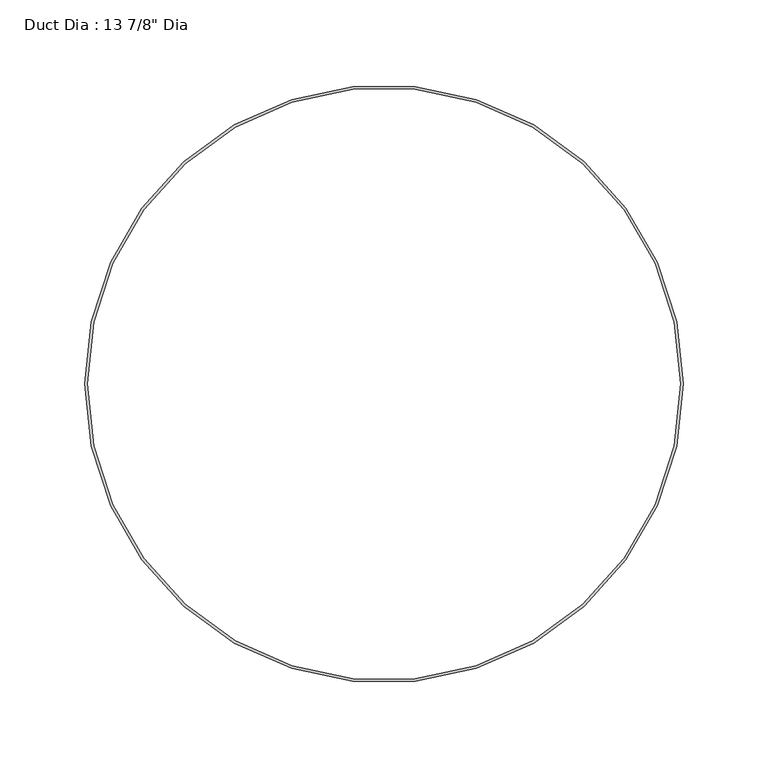
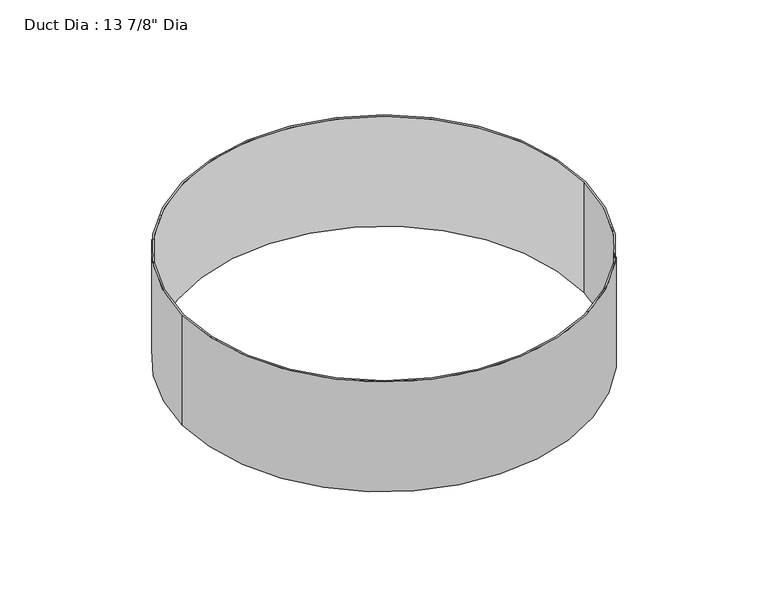
"""IFC4 building model written with IfcOpenShell, lengths in millimetres: proxy geometry."""

import ifcopenshell
import ifcopenshell.guid

model = None  # the IFC model being written
_history = None  # IfcOwnerHistory: only IFC2X3 demands one
_inside = {}  # id of a spatial element -> (the spatial element, [elements in it])
_under = {}  # id of a project, library or spatial element -> (it, [spatial elements below it])
_declared = {}  # id of a project -> (the project, [libraries it declares])
_typed = {}  # id of a type object -> (the type object, [elements of that type])
_made_of = {}  # id of a material, layer set ... -> (it, [elements and type objects made of it])


def new_model(schema):
    """Start an empty IFC model of exactly this schema.

    Asked for "IFC4X3", IfcOpenShell would pick the latest addendum, in which some entities
    have other attributes; the version numbers below select the first issue.
    IFC2X3 requires an IfcOwnerHistory on every rooted entity: one is made here for all.
    """
    global model, _history
    if schema == "IFC4X3":
        model = ifcopenshell.file(schema_version=(4, 3, 0, 0))
    else:
        model = ifcopenshell.file(schema=schema)
    _inside.clear()
    _under.clear()
    _declared.clear()
    _typed.clear()
    _made_of.clear()
    _history = None
    if model.schema == "IFC2X3":
        org = make("IfcOrganization", Name="unknown")
        user = make(
            "IfcPersonAndOrganization",
            ThePerson=make("IfcPerson", FamilyName="unknown"),
            TheOrganization=org,
        )
        app = make(
            "IfcApplication",
            ApplicationDeveloper=org,
            Version="unknown",
            ApplicationFullName="unknown",
            ApplicationIdentifier="unknown",
        )
        _history = make(
            "IfcOwnerHistory",
            OwningUser=user,
            OwningApplication=app,
            ChangeAction="ADDED",
            CreationDate=0,
        )
    return model


def make(cls, **values):
    """One entity of the class cls with the attributes given. An attribute that is None is left unset."""
    return model.create_entity(
        cls, **{name: value for name, value in values.items() if value is not None}
    )


def rooted(cls, **values):
    """An entity with a GlobalId (a new one), such as an element, a storey or a relation."""
    return make(cls, GlobalId=ifcopenshell.guid.new(), OwnerHistory=_history, **values)


def si_unit(unit_type, name, prefix=None):
    """IfcSIUnit, for example si_unit("LENGTHUNIT", "METRE", prefix="MILLI")."""
    return make("IfcSIUnit", UnitType=unit_type, Prefix=prefix, Name=name)


def assignment(units):
    """IfcUnitAssignment: the units of a project."""
    return None if units is None else make("IfcUnitAssignment", Units=units)


def point(xyz):
    """IfcCartesianPoint."""
    return None if xyz is None else make("IfcCartesianPoint", Coordinates=xyz)


def direction(xyz):
    """IfcDirection."""
    return None if xyz is None else make("IfcDirection", DirectionRatios=xyz)


def frame(location, z_axis=None, x_axis=None):
    """IfcAxis2Placement3D, a coordinate frame: its origin and axes. An axis left out is left unset."""
    return make(
        "IfcAxis2Placement3D",
        Location=point(location),
        Axis=direction(z_axis),
        RefDirection=direction(x_axis),
    )


def frame_2d(location, x_axis=None):
    """IfcAxis2Placement2D, a coordinate frame in the plane: its origin and x axis."""
    return make(
        "IfcAxis2Placement2D", Location=point(location), RefDirection=direction(x_axis)
    )


def origin():
    """The frame at (0, 0, 0) with its axes left unset."""
    return frame((0.0, 0.0, 0.0))


def origin_with_axes():
    """The frame at (0, 0, 0) with the z axis (0, 0, 1) and the x axis (1, 0, 0) written out."""
    return frame((0.0, 0.0, 0.0), z_axis=(0.0, 0.0, 1.0), x_axis=(1.0, 0.0, 0.0))


def origin_2d():
    """The frame at (0, 0) in the plane with its x axis left unset."""
    return frame_2d((0.0, 0.0))


def place(relative_to, where):
    """IfcLocalPlacement: puts the frame where relative to a parent placement (None: the world)."""
    return make(
        "IfcLocalPlacement", PlacementRelTo=relative_to, RelativePlacement=where
    )


def context(
    kind, dimensions, precision=None, world=None, true_north=None, identifier=None
):
    """IfcGeometricRepresentationContext, for example the 3D "Model" context."""
    return make(
        "IfcGeometricRepresentationContext",
        ContextIdentifier=identifier,
        ContextType=kind,
        CoordinateSpaceDimension=dimensions,
        Precision=precision,
        WorldCoordinateSystem=world,
        TrueNorth=true_north,
    )


def project(units=None, contexts=None):
    """IfcProject with its units and contexts."""
    return rooted(
        "IfcProject",
        Name="project",
        RepresentationContexts=contexts,
        UnitsInContext=assignment(units),
    )


def spatial(cls, under=None, at=None, **own):
    """A site, building, storey or space (cls), placed at a placement, below another one or the project."""
    s = rooted(cls, ObjectPlacement=at, **own)
    if under is not None:
        _under.setdefault(under.id(), (under, []))[1].append(s)
    return s


def circle_curve(where, radius):
    """IfcCircle in the frame where."""
    return make("IfcCircle", Position=where, Radius=radius)


def trimmed(basis, trim1, trim2, sense, master):
    """IfcTrimmedCurve: the piece of a basis curve between two trims."""
    return make(
        "IfcTrimmedCurve",
        BasisCurve=basis,
        Trim1=trim1,
        Trim2=trim2,
        SenseAgreement=sense,
        MasterRepresentation=master,
    )


def segment(curve, same_sense, transition):
    """IfcCompositeCurveSegment."""
    return make(
        "IfcCompositeCurveSegment",
        Transition=transition,
        SameSense=same_sense,
        ParentCurve=curve,
    )


def composite_curve(segments, self_intersect=None):
    """IfcCompositeCurve: segments joined end to end."""
    return make("IfcCompositeCurve", Segments=segments, SelfIntersect=self_intersect)


def outline(outer, holes=None, kind="AREA"):
    """IfcArbitraryClosedProfileDef: a profile drawn as a closed curve; with holes, ...WithVoids."""
    if holes is None:
        return make("IfcArbitraryClosedProfileDef", ProfileType=kind, OuterCurve=outer)
    return make(
        "IfcArbitraryProfileDefWithVoids",
        ProfileType=kind,
        OuterCurve=outer,
        InnerCurves=holes,
    )


def extrude(swept, where, along, depth):
    """IfcExtrudedAreaSolid: the profile swept, set in the frame where, extruded along a direction by depth."""
    return make(
        "IfcExtrudedAreaSolid",
        SweptArea=swept,
        Position=where,
        ExtrudedDirection=direction(along),
        Depth=depth,
    )


def shape(context_of_items, identifier, shape_type, items):
    """IfcShapeRepresentation: the items that make up one representation, for example the "Body"."""
    return make(
        "IfcShapeRepresentation",
        ContextOfItems=context_of_items,
        RepresentationIdentifier=identifier,
        RepresentationType=shape_type,
        Items=items,
    )


def source(mapping_origin, context_of_items, identifier, shape_type, items):
    """IfcRepresentationMap: a shape defined once, which mapped items show again and again."""
    return make(
        "IfcRepresentationMap",
        MappingOrigin=mapping_origin,
        MappedRepresentation=shape(context_of_items, identifier, shape_type, items),
    )


def transform(
    local_origin,
    x_axis=None,
    y_axis=None,
    z_axis=None,
    scale=None,
    scale2=None,
    scale3=None,
    uniform=True,
):
    """IfcCartesianTransformationOperator3D, or its non-uniform kind. x_axis, y_axis, z_axis: its Axis1, 2, 3."""
    if uniform:
        return make(
            "IfcCartesianTransformationOperator3D",
            Axis1=direction(x_axis),
            Axis2=direction(y_axis),
            LocalOrigin=point(local_origin),
            Scale=scale,
            Axis3=direction(z_axis),
        )
    return make(
        "IfcCartesianTransformationOperator3DnonUniform",
        Axis1=direction(x_axis),
        Axis2=direction(y_axis),
        LocalOrigin=point(local_origin),
        Scale=scale,
        Axis3=direction(z_axis),
        Scale2=scale2,
        Scale3=scale3,
    )


def mapped(mapping_source, mapping_target):
    """IfcMappedItem: shows the shape of a source again, moved by a transform."""
    return make(
        "IfcMappedItem", MappingSource=mapping_source, MappingTarget=mapping_target
    )


def made_of(thing, what):
    """Note that an element or type object is made of a material, layer set ...; save() writes the relation."""
    if what is not None:
        _made_of.setdefault(what.id(), (what, []))[1].append(thing)
    return thing


def element(
    cls,
    number,
    at=None,
    inside=None,
    cuts=None,
    type_object=None,
    material=None,
    context=None,
    identifier="Body",
    shape_type=None,
    held_by="IfcProductDefinitionShape",
    body=None,
    shapes=None,
    **own,
):
    """One element of the class cls, such as IfcWall. Its Tag is "e" and its number.

    at: its placement. inside: the storey or other place that contains it. cuts: it is an
    opening in that element (IfcRelVoidsElement). A single representation is given by context,
    identifier, shape_type and body (its items); several are given by shapes. held_by: the class
    of the entity that holds the representations. save() writes the other relations.
    """
    e = rooted(cls, Tag="e%d" % number, ObjectPlacement=at, **own)
    if body is not None:
        shapes = [shape(context, identifier, shape_type, body)]
    if shapes is not None:
        e.Representation = make(held_by, Representations=shapes)
    if inside is not None:
        _inside.setdefault(inside.id(), (inside, []))[1].append(e)
    if cuts is not None:
        rooted(
            "IfcRelVoidsElement", RelatingBuildingElement=cuts, RelatedOpeningElement=e
        )
    if type_object is not None:
        _typed.setdefault(type_object.id(), (type_object, []))[1].append(e)
    return made_of(e, material)


def aggregate(whole, parts):
    """IfcRelAggregates: a whole, such as a stair, and the parts it consists of."""
    return rooted("IfcRelAggregates", RelatingObject=whole, RelatedObjects=parts)


def save(model, path):
    """Write the relations noted so far, then the file.

    IfcRelAggregates (storeys below a building ...), IfcRelContainedInSpatialStructure (elements
    in a storey), IfcRelDefinesByType, IfcRelAssociatesMaterial and IfcRelDeclares: one each for
    every whole, place, type object, material and project.
    """
    for whole, parts in _under.values():
        aggregate(whole, parts)
    for where, things in _inside.values():
        rooted(
            "IfcRelContainedInSpatialStructure",
            RelatedElements=things,
            RelatingStructure=where,
        )
    for kind, things in _typed.values():
        rooted("IfcRelDefinesByType", RelatedObjects=things, RelatingType=kind)
    for what, things in _made_of.values():
        rooted("IfcRelAssociatesMaterial", RelatedObjects=things, RelatingMaterial=what)
    for by, libraries in _declared.values():
        rooted("IfcRelDeclares", RelatingContext=by, RelatedDefinitions=libraries)
    model.write(path)


def proxy_768d9d94(model_context):
    return source(origin(), model_context, "Body", "SweptSolid", [
        extrude(outline(composite_curve([segment(trimmed(circle_curve(origin_2d(), 176.2125), [point((-176.2125, 0.0))], [point((176.2125, 0.0))], False, "CARTESIAN"), True, "CONTINUOUS"), segment(trimmed(circle_curve(origin_2d(), 176.2125), [point((176.2125, 0.0))], [point((-176.2125, 0.0))], False, "CARTESIAN"), True, "CONTINUOUS")], self_intersect=False), holes=[composite_curve([segment(trimmed(circle_curve(origin_2d(), 174.625), [point((-174.625, 0.0))], [point((174.625, 0.0))], True, "CARTESIAN"), True, "CONTINUOUS"), segment(trimmed(circle_curve(origin_2d(), 174.625), [point((174.625, 0.0))], [point((-174.625, 0.0))], True, "CARTESIAN"), True, "CONTINUOUS")], self_intersect=False)]), origin_with_axes(), (0.0, 0.0, 1.0), 101.6),
    ])


if __name__ == "__main__":
    model = new_model("IFC4")
    model_context = context("Model", 3, world=origin())
    ifc_project = project(units=[si_unit("LENGTHUNIT", "METRE", prefix="MILLI")], contexts=[model_context])
    site = spatial("IfcSite", under=ifc_project)
    building = spatial("IfcBuilding", under=site)
    placement = place(None, origin())
    proxy_shape = proxy_768d9d94(model_context)
    element("IfcBuildingElementProxy", 1, Name="Duct Dia : 13 7/8\" Dia", ObjectType="Duct Dia : 13 7/8\" Dia", at=placement, inside=building, context=model_context, shape_type="MappedRepresentation", body=[
        mapped(proxy_shape, transform((0.0, 0.0, 0.0), x_axis=(1.0, 0.0, 0.0), y_axis=(0.0, 1.0, 0.0), z_axis=(0.0, 0.0, 1.0))),
    ])
    save(model, "model.ifc")
